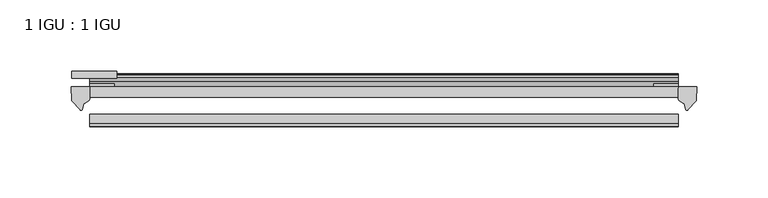
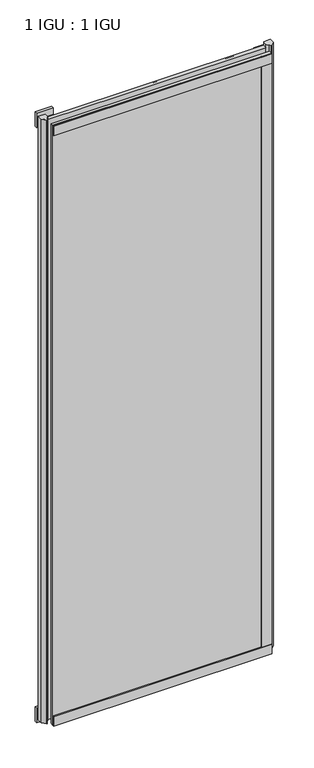
"""IFC4 building model written with IfcOpenShell, lengths in millimetres: plate geometry, 1 IGU : 1 IGU."""

from ifc_helpers import new_model, si_unit, point, frame, frame_2d, origin, place, context, project, spatial, polyline, circle_curve, trimmed, segment, composite_curve, outline, extrude, source, transform, mapped, element, save


def plate_1_igu_1_igu_36320273(model_context):
    return source(origin(), model_context, "Body", "SweptSolid", [
        extrude(outline(polyline([(307.959125, -11.6085937), (307.959125, -18.8576359), (-105.7513125, -18.8576359), (-105.7513125, -11.6085937), (307.959125, -11.6085937)])), frame((0.0, 0.0, -19.05), z_axis=(0.0, 0.0, 1.0), x_axis=(1.0, 0.0, 0.0)), (0.0, 0.0, 1.0), 1200.15),
        extrude(outline(polyline([(-105.7513125, -30.7093937), (307.959125, -30.7093937), (307.959125, -37.0085937), (-105.7513125, -37.0085937), (-105.7513125, -30.7093937)])), frame((0.0, 0.0, -19.05), z_axis=(0.0, 0.0, 1.0), x_axis=(1.0, 0.0, 0.0)), (0.0, 0.0, 1.0), 1200.15),
        extrude(outline(polyline([(-86.7013125, -5.3578125), (-118.4513125, -5.3578125), (-118.4513125, -0.4960938), (-86.7013125, -0.4960938), (-86.7013125, -5.3578125)])), frame((0.0, 0.0, -28.575), z_axis=(0.0, 0.0, 1.0), x_axis=(1.0, 0.0, 0.0)), (0.0, 0.0, 1.0), 28.575),
        extrude(outline(polyline([(-118.4513125, -5.3578125), (-118.4513125, -0.4960938), (-86.7013125, -0.4960938), (-86.7013125, -5.3578125), (-118.4513125, -5.3578125)])), frame((0.0, 0.0, 1162.05), z_axis=(0.0, 0.0, 1.0), x_axis=(1.0, 0.0, 0.0)), (0.0, 0.0, 1.0), 28.575),
        extrude(outline(composite_curve([segment(polyline([(321.0370341, -11.6101465), (320.659125, -21.3502133), (314.7210717, -27.6095865)]), True, "CONTINUOUS"), segment(trimmed(circle_curve(frame_2d((314.0482657, -27.2518492)), 0.762), [point((314.7210717, -27.6095865))], [point((313.3195614, -27.4746364))], False, "CARTESIAN"), True, "CONTINUOUS"), segment(polyline([(313.3195614, -27.4746364), (312.0577269, -23.3488397)]), True, "CONTINUOUS"), segment(trimmed(circle_curve(frame_2d((314.239684, -16.3834724)), 7.2991286), [point((312.0577269, -23.3488397))], [point((307.9593036, -20.1028944))], False, "CARTESIAN"), True, "CONTINUOUS"), segment(polyline([(307.9593036, -20.1028944), (307.9593036, -12.664425)]), True, "CONTINUOUS"), segment(trimmed(circle_curve(frame_2d((314.2405581, -16.3827796)), 7.2993369), [point((307.9593036, -12.664425))], [point((308.71767, -11.6101465))], False, "CARTESIAN"), True, "CONTINUOUS"), segment(polyline([(308.71767, -11.6101465), (321.0370341, -11.6101465)]), True, "CONTINUOUS")], self_intersect=False)), frame((0.0, 0.0, -19.05), z_axis=(0.0, 0.0, 1.0), x_axis=(1.0, 0.0, 0.0)), (0.0, 0.0, 1.0), 1207.2874),
        extrude(outline(composite_curve([segment(polyline([(-105.7513125, -11.610702), (-105.7513125, -20.1014769)]), True, "CONTINUOUS"), segment(trimmed(circle_curve(frame_2d((-112.0325068, -16.3829847)), 7.2993552), [point((-105.7513125, -20.1014769))], [point((-109.8502623, -23.3484994))], False, "CARTESIAN"), True, "CONTINUOUS"), segment(polyline([(-109.8502623, -23.3484994), (-111.1117489, -27.4746364)]), True, "CONTINUOUS"), segment(trimmed(circle_curve(frame_2d((-111.8404532, -27.2518492)), 0.762), [point((-111.1117489, -27.4746364))], [point((-112.5132592, -27.6095865))], False, "CARTESIAN"), True, "CONTINUOUS"), segment(polyline([(-112.5132592, -27.6095865), (-118.4513125, -21.3502133), (-118.8292216, -11.610702), (-105.7513125, -11.610702)]), True, "CONTINUOUS")], self_intersect=False)), frame((0.0, 0.0, -19.05), z_axis=(0.0, 0.0, 1.0), x_axis=(1.0, 0.0, 0.0)), (0.0, 0.0, 1.0), 1207.2874),
        extrude(outline(polyline([(-105.7513125, -39.2945937), (-105.7513125, -37.0085937), (307.959125, -37.0085937), (307.959125, -39.2945937), (-105.7513125, -39.2945937)])), frame((0.0, 0.0, -19.05), z_axis=(0.0, 0.0, 1.0), x_axis=(1.0, 0.0, 0.0)), (0.0, 0.0, 1.0), 19.05),
        extrude(outline(composite_curve([segment(trimmed(circle_curve(frame_2d((-2.5575611, 32.8538976)), 31.3272753), [point((-11.6085937, 2.8626158))], [point((-2.2024699, 1.5286348))], True, "CARTESIAN"), True, "CONTINUOUS"), segment(polyline([(-2.2024699, 1.5286348), (-2.2024699, 0.0), (-5.2585937, 0.0), (-5.2585937, -5.2345509), (-3.3544944, -5.5797863), (-5.2585937, -8.255), (-5.2585937, -11.471876)]), True, "CONTINUOUS"), segment(trimmed(circle_curve(frame_2d((-6.5285937, -11.471876)), 1.27), [point((-5.2585937, -11.471876))], [point((-7.4547667, -12.340843))], False, "CARTESIAN"), True, "CONTINUOUS"), segment(polyline([(-7.4547667, -12.340843), (-11.6085937, -7.9135609), (-11.6085937, 2.8626158)]), True, "CONTINUOUS")], self_intersect=False)), frame((-105.7513125, 0.0, 0.0), z_axis=(1.0, 0.0, 0.0), x_axis=(0.0, 1.0, 0.0)), (0.0, 0.0, 1.0), 413.7104375),
        extrude(outline(composite_curve([segment(trimmed(circle_curve(frame_2d((-6.5285937, 1173.521876)), 1.27), [point((-7.4547667, 1174.390843))], [point((-5.2585937, 1173.521876))], False, "CARTESIAN"), True, "CONTINUOUS"), segment(polyline([(-5.2585937, 1173.521876), (-5.2585937, 1170.305), (-3.3544944, 1167.6297863), (-5.2585937, 1167.2845509), (-5.2585937, 1162.05), (-2.385052, 1162.05)]), True, "CONTINUOUS"), segment(trimmed(circle_curve(frame_2d((-3.2589487, 1161.5317718)), 1.016), [point((-2.385052, 1162.05))], [point((-3.236916, 1160.5160107))], False, "CARTESIAN"), True, "CONTINUOUS"), segment(trimmed(circle_curve(frame_2d((-2.5575611, 1129.1961024)), 31.3272753), [point((-3.236916, 1160.5160107))], [point((-11.6085937, 1159.1873842))], True, "CARTESIAN"), True, "CONTINUOUS"), segment(polyline([(-11.6085937, 1159.1873842), (-11.6085937, 1169.9635609), (-7.4547667, 1174.390843)]), True, "CONTINUOUS")], self_intersect=False)), frame((-105.7513125, 0.0, 0.0), z_axis=(1.0, 0.0, 0.0), x_axis=(0.0, 1.0, 0.0)), (0.0, 0.0, 1.0), 413.7104375),
        extrude(outline(polyline([(-105.7513125, -39.2945937), (-105.7513125, -37.0085937), (307.959125, -37.0085937), (307.959125, -39.2945937), (-105.7513125, -39.2945937)])), frame((0.0, 0.0, 1162.05), z_axis=(0.0, 0.0, 1.0), x_axis=(1.0, 0.0, 0.0)), (0.0, 0.0, 1.0), 19.05),
        extrude(outline(polyline([(288.909125, -37.0085937), (307.959125, -37.0085937), (307.959125, -39.2945938), (288.909125, -39.2945938), (288.909125, -37.0085937)])), frame((0.0, 0.0, -19.05), z_axis=(0.0, 0.0, 1.0), x_axis=(1.0, 0.0, 0.0)), (0.0, 0.0, 1.0), 1200.15),
        extrude(outline(polyline([(307.959125, -9.3247196), (307.959125, -11.6085937), (290.877625, -11.6085937), (290.877625, -9.3247196), (307.959125, -9.3247196)])), frame((0.0, 0.0, -19.05), z_axis=(0.0, 0.0, 1.0), x_axis=(1.0, 0.0, 0.0)), (0.0, 0.0, 1.0), 1200.15),
        extrude(outline(polyline([(-105.7513125, -11.6107196), (-105.7513125, -9.2273438), (-88.6698125, -9.2273438), (-88.6698125, -11.6107196), (-105.7513125, -11.6107196)])), frame((0.0, 0.0, -19.05), z_axis=(0.0, 0.0, 1.0), x_axis=(1.0, 0.0, 0.0)), (0.0, 0.0, 1.0), 1200.15),
    ])


if __name__ == "__main__":
    model = new_model("IFC4")
    model_context = context("Model", 3, world=origin())
    ifc_project = project(units=[si_unit("LENGTHUNIT", "METRE", prefix="MILLI")], contexts=[model_context])
    site = spatial("IfcSite", under=ifc_project)
    building = spatial("IfcBuilding", under=site)
    placement = place(None, origin())
    plate_1_igu_1_igu_shape = plate_1_igu_1_igu_36320273(model_context)
    element("IfcPlate", 1, ObjectType="1 IGU : 1 IGU", at=placement, inside=building, context=model_context, shape_type="MappedRepresentation", body=[
        mapped(plate_1_igu_1_igu_shape, transform((0.0, 0.0, 0.0), x_axis=(1.0, 0.0, 0.0), y_axis=(0.0, 1.0, 0.0), z_axis=(0.0, 0.0, 1.0))),
    ])
    save(model, "model.ifc")
